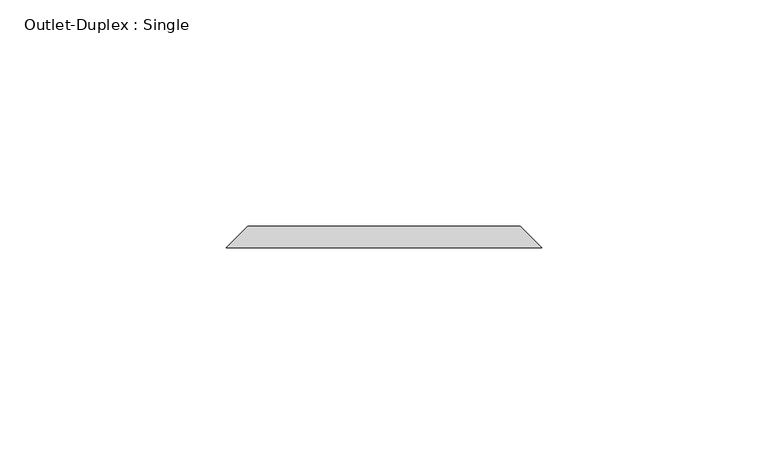
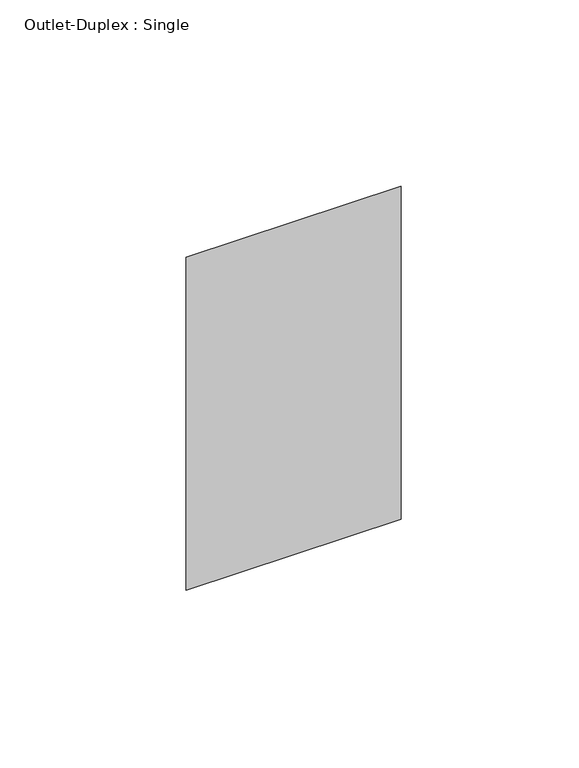
"""IFC4 building model written with IfcOpenShell, lengths in millimetres: proxy geometry, Outlet-Duplex : Single."""

from ifc_helpers import new_model, si_unit, origin, place, context, project, spatial, faceted_brep, source, transform, mapped, element, save


def outlet_duplex_single_9799d0d5(model_context):
    return source(origin(), model_context, "Body", "Brep", [
        faceted_brep([(-30.1625, 115.8875, 357.1875), (30.1625, 115.8875, 357.1875), (30.1625, 115.8875, 252.4125), (-30.1625, 115.8875, 252.4125), (-34.925, 111.125, 361.95), (-34.925, 111.125, 247.65), (34.925, 111.125, 247.65), (34.925, 111.125, 361.95)], [[[0, 1, 2, 3]], [[4, 5, 6, 7]], [[4, 7, 1, 0]], [[7, 6, 2, 1]], [[6, 5, 3, 2]], [[5, 4, 0, 3]]]),
    ])


if __name__ == "__main__":
    model = new_model("IFC4")
    model_context = context("Model", 3, world=origin())
    ifc_project = project(units=[si_unit("LENGTHUNIT", "METRE", prefix="MILLI")], contexts=[model_context])
    site = spatial("IfcSite", under=ifc_project)
    building = spatial("IfcBuilding", under=site)
    placement = place(None, origin())
    outlet_duplex_single_shape = outlet_duplex_single_9799d0d5(model_context)
    element("IfcBuildingElementProxy", 1, Name="Outlet-Duplex : Single", ObjectType="Outlet-Duplex : Single", at=placement, inside=building, context=model_context, shape_type="MappedRepresentation", body=[
        mapped(outlet_duplex_single_shape, transform((0.0, 0.0, 0.0), x_axis=(1.0, 0.0, 0.0), y_axis=(0.0, 1.0, 0.0), z_axis=(0.0, 0.0, 1.0))),
    ])
    save(model, "model.ifc")
